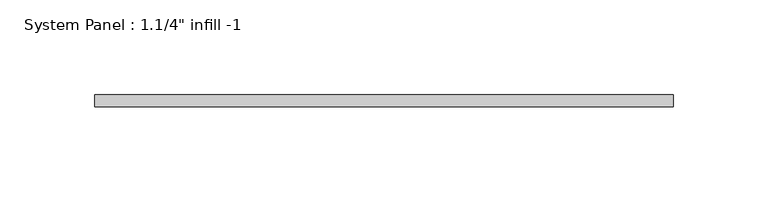
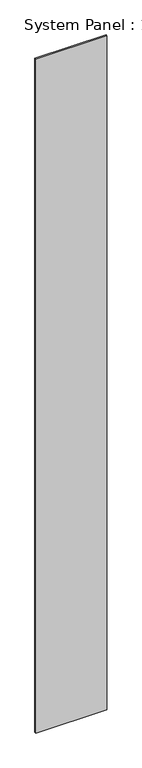
"""IFC4 building model written with IfcOpenShell, lengths in millimetres: plate geometry."""

import ifcopenshell
import ifcopenshell.guid

model = None  # the IFC model being written
_history = None  # IfcOwnerHistory: only IFC2X3 demands one
_inside = {}  # id of a spatial element -> (the spatial element, [elements in it])
_under = {}  # id of a project, library or spatial element -> (it, [spatial elements below it])
_declared = {}  # id of a project -> (the project, [libraries it declares])
_typed = {}  # id of a type object -> (the type object, [elements of that type])
_made_of = {}  # id of a material, layer set ... -> (it, [elements and type objects made of it])


def new_model(schema):
    """Start an empty IFC model of exactly this schema.

    Asked for "IFC4X3", IfcOpenShell would pick the latest addendum, in which some entities
    have other attributes; the version numbers below select the first issue.
    IFC2X3 requires an IfcOwnerHistory on every rooted entity: one is made here for all.
    """
    global model, _history
    if schema == "IFC4X3":
        model = ifcopenshell.file(schema_version=(4, 3, 0, 0))
    else:
        model = ifcopenshell.file(schema=schema)
    _inside.clear()
    _under.clear()
    _declared.clear()
    _typed.clear()
    _made_of.clear()
    _history = None
    if model.schema == "IFC2X3":
        org = make("IfcOrganization", Name="unknown")
        user = make(
            "IfcPersonAndOrganization",
            ThePerson=make("IfcPerson", FamilyName="unknown"),
            TheOrganization=org,
        )
        app = make(
            "IfcApplication",
            ApplicationDeveloper=org,
            Version="unknown",
            ApplicationFullName="unknown",
            ApplicationIdentifier="unknown",
        )
        _history = make(
            "IfcOwnerHistory",
            OwningUser=user,
            OwningApplication=app,
            ChangeAction="ADDED",
            CreationDate=0,
        )
    return model


def make(cls, **values):
    """One entity of the class cls with the attributes given. An attribute that is None is left unset."""
    return model.create_entity(
        cls, **{name: value for name, value in values.items() if value is not None}
    )


def rooted(cls, **values):
    """An entity with a GlobalId (a new one), such as an element, a storey or a relation."""
    return make(cls, GlobalId=ifcopenshell.guid.new(), OwnerHistory=_history, **values)


def si_unit(unit_type, name, prefix=None):
    """IfcSIUnit, for example si_unit("LENGTHUNIT", "METRE", prefix="MILLI")."""
    return make("IfcSIUnit", UnitType=unit_type, Prefix=prefix, Name=name)


def assignment(units):
    """IfcUnitAssignment: the units of a project."""
    return None if units is None else make("IfcUnitAssignment", Units=units)


def point(xyz):
    """IfcCartesianPoint."""
    return None if xyz is None else make("IfcCartesianPoint", Coordinates=xyz)


def direction(xyz):
    """IfcDirection."""
    return None if xyz is None else make("IfcDirection", DirectionRatios=xyz)


def frame(location, z_axis=None, x_axis=None):
    """IfcAxis2Placement3D, a coordinate frame: its origin and axes. An axis left out is left unset."""
    return make(
        "IfcAxis2Placement3D",
        Location=point(location),
        Axis=direction(z_axis),
        RefDirection=direction(x_axis),
    )


def origin():
    """The frame at (0, 0, 0) with its axes left unset."""
    return frame((0.0, 0.0, 0.0))


def origin_with_axes():
    """The frame at (0, 0, 0) with the z axis (0, 0, 1) and the x axis (1, 0, 0) written out."""
    return frame((0.0, 0.0, 0.0), z_axis=(0.0, 0.0, 1.0), x_axis=(1.0, 0.0, 0.0))


def place(relative_to, where):
    """IfcLocalPlacement: puts the frame where relative to a parent placement (None: the world)."""
    return make(
        "IfcLocalPlacement", PlacementRelTo=relative_to, RelativePlacement=where
    )


def context(
    kind, dimensions, precision=None, world=None, true_north=None, identifier=None
):
    """IfcGeometricRepresentationContext, for example the 3D "Model" context."""
    return make(
        "IfcGeometricRepresentationContext",
        ContextIdentifier=identifier,
        ContextType=kind,
        CoordinateSpaceDimension=dimensions,
        Precision=precision,
        WorldCoordinateSystem=world,
        TrueNorth=true_north,
    )


def project(units=None, contexts=None):
    """IfcProject with its units and contexts."""
    return rooted(
        "IfcProject",
        Name="project",
        RepresentationContexts=contexts,
        UnitsInContext=assignment(units),
    )


def spatial(cls, under=None, at=None, **own):
    """A site, building, storey or space (cls), placed at a placement, below another one or the project."""
    s = rooted(cls, ObjectPlacement=at, **own)
    if under is not None:
        _under.setdefault(under.id(), (under, []))[1].append(s)
    return s


def polyline(points):
    """IfcPolyline through the points."""
    return make("IfcPolyline", Points=[point(p) for p in points])


def outline(outer, holes=None, kind="AREA"):
    """IfcArbitraryClosedProfileDef: a profile drawn as a closed curve; with holes, ...WithVoids."""
    if holes is None:
        return make("IfcArbitraryClosedProfileDef", ProfileType=kind, OuterCurve=outer)
    return make(
        "IfcArbitraryProfileDefWithVoids",
        ProfileType=kind,
        OuterCurve=outer,
        InnerCurves=holes,
    )


def extrude(swept, where, along, depth):
    """IfcExtrudedAreaSolid: the profile swept, set in the frame where, extruded along a direction by depth."""
    return make(
        "IfcExtrudedAreaSolid",
        SweptArea=swept,
        Position=where,
        ExtrudedDirection=direction(along),
        Depth=depth,
    )


def shape(context_of_items, identifier, shape_type, items):
    """IfcShapeRepresentation: the items that make up one representation, for example the "Body"."""
    return make(
        "IfcShapeRepresentation",
        ContextOfItems=context_of_items,
        RepresentationIdentifier=identifier,
        RepresentationType=shape_type,
        Items=items,
    )


def source(mapping_origin, context_of_items, identifier, shape_type, items):
    """IfcRepresentationMap: a shape defined once, which mapped items show again and again."""
    return make(
        "IfcRepresentationMap",
        MappingOrigin=mapping_origin,
        MappedRepresentation=shape(context_of_items, identifier, shape_type, items),
    )


def transform(
    local_origin,
    x_axis=None,
    y_axis=None,
    z_axis=None,
    scale=None,
    scale2=None,
    scale3=None,
    uniform=True,
):
    """IfcCartesianTransformationOperator3D, or its non-uniform kind. x_axis, y_axis, z_axis: its Axis1, 2, 3."""
    if uniform:
        return make(
            "IfcCartesianTransformationOperator3D",
            Axis1=direction(x_axis),
            Axis2=direction(y_axis),
            LocalOrigin=point(local_origin),
            Scale=scale,
            Axis3=direction(z_axis),
        )
    return make(
        "IfcCartesianTransformationOperator3DnonUniform",
        Axis1=direction(x_axis),
        Axis2=direction(y_axis),
        LocalOrigin=point(local_origin),
        Scale=scale,
        Axis3=direction(z_axis),
        Scale2=scale2,
        Scale3=scale3,
    )


def mapped(mapping_source, mapping_target):
    """IfcMappedItem: shows the shape of a source again, moved by a transform."""
    return make(
        "IfcMappedItem", MappingSource=mapping_source, MappingTarget=mapping_target
    )


def made_of(thing, what):
    """Note that an element or type object is made of a material, layer set ...; save() writes the relation."""
    if what is not None:
        _made_of.setdefault(what.id(), (what, []))[1].append(thing)
    return thing


def element(
    cls,
    number,
    at=None,
    inside=None,
    cuts=None,
    type_object=None,
    material=None,
    context=None,
    identifier="Body",
    shape_type=None,
    held_by="IfcProductDefinitionShape",
    body=None,
    shapes=None,
    **own,
):
    """One element of the class cls, such as IfcWall. Its Tag is "e" and its number.

    at: its placement. inside: the storey or other place that contains it. cuts: it is an
    opening in that element (IfcRelVoidsElement). A single representation is given by context,
    identifier, shape_type and body (its items); several are given by shapes. held_by: the class
    of the entity that holds the representations. save() writes the other relations.
    """
    e = rooted(cls, Tag="e%d" % number, ObjectPlacement=at, **own)
    if body is not None:
        shapes = [shape(context, identifier, shape_type, body)]
    if shapes is not None:
        e.Representation = make(held_by, Representations=shapes)
    if inside is not None:
        _inside.setdefault(inside.id(), (inside, []))[1].append(e)
    if cuts is not None:
        rooted(
            "IfcRelVoidsElement", RelatingBuildingElement=cuts, RelatedOpeningElement=e
        )
    if type_object is not None:
        _typed.setdefault(type_object.id(), (type_object, []))[1].append(e)
    return made_of(e, material)


def aggregate(whole, parts):
    """IfcRelAggregates: a whole, such as a stair, and the parts it consists of."""
    return rooted("IfcRelAggregates", RelatingObject=whole, RelatedObjects=parts)


def save(model, path):
    """Write the relations noted so far, then the file.

    IfcRelAggregates (storeys below a building ...), IfcRelContainedInSpatialStructure (elements
    in a storey), IfcRelDefinesByType, IfcRelAssociatesMaterial and IfcRelDeclares: one each for
    every whole, place, type object, material and project.
    """
    for whole, parts in _under.values():
        aggregate(whole, parts)
    for where, things in _inside.values():
        rooted(
            "IfcRelContainedInSpatialStructure",
            RelatedElements=things,
            RelatingStructure=where,
        )
    for kind, things in _typed.values():
        rooted("IfcRelDefinesByType", RelatedObjects=things, RelatingType=kind)
    for what, things in _made_of.values():
        rooted("IfcRelAssociatesMaterial", RelatedObjects=things, RelatingMaterial=what)
    for by, libraries in _declared.values():
        rooted("IfcRelDeclares", RelatingContext=by, RelatedDefinitions=libraries)
    model.write(path)


def plate_b2bd7c0d(model_context):
    return source(origin(), model_context, "Body", "SweptSolid", [
        extrude(outline(polyline([(152.2660433, -6.35), (-152.2660433, -6.35), (-152.2660433, 0.0), (152.2660433, 0.0), (152.2660433, -6.35)])), origin_with_axes(), (0.0, 0.0, 1.0), 3048.0),
    ])


if __name__ == "__main__":
    model = new_model("IFC4")
    model_context = context("Model", 3, world=origin())
    ifc_project = project(units=[si_unit("LENGTHUNIT", "METRE", prefix="MILLI")], contexts=[model_context])
    site = spatial("IfcSite", under=ifc_project)
    building = spatial("IfcBuilding", under=site)
    placement = place(None, origin())
    plate_shape = plate_b2bd7c0d(model_context)
    element("IfcPlate", 1, ObjectType="System Panel : 1.1/4\" infill -1", at=placement, inside=building, context=model_context, shape_type="MappedRepresentation", body=[
        mapped(plate_shape, transform((0.0, 0.0, 0.0), x_axis=(1.0, 0.0, 0.0), y_axis=(0.0, 1.0, 0.0), z_axis=(0.0, 0.0, 1.0))),
    ])
    save(model, "model.ifc")
